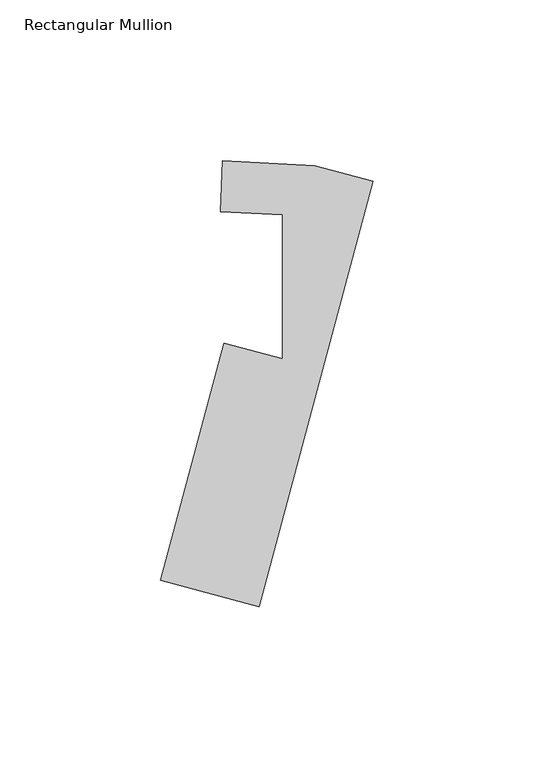
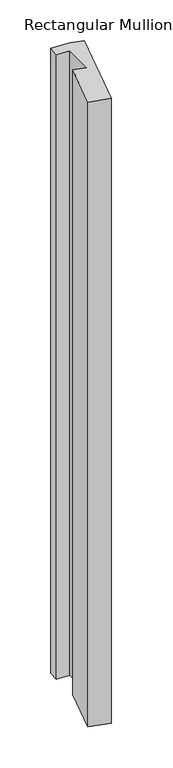
"""IFC4 building model written with IfcOpenShell, lengths in millimetres: member geometry, Rectangular Mullion."""

from ifc_helpers import new_model, si_unit, frame, origin, place, context, project, spatial, polyline, outline, extrude, source, transform, mapped, element, save


def rectangular_mullion_4adba14e(model_context):
    return source(origin(), model_context, "Body", "SweptSolid", [
        extrude(outline(polyline([(-62.0655935, -108.9554269), (-42.3173147, -35.253847), (-24.1741853, -40.1152838), (-24.1741853, 4.6675349), (-43.4500596, 5.6777407), (-42.7451691, 21.537585), (-14.1163917, 20.0372143), (4.0636846, 15.1658775), (-31.3964631, -117.1731956), (-62.0655935, -108.9554269)])), frame((0.0, 0.0, -1000.0), z_axis=(0.0, 0.0, 1.0), x_axis=(1.0, 0.0, 0.0)), (0.0, 0.0, 1.0), 1000.0),
    ])


if __name__ == "__main__":
    model = new_model("IFC4")
    model_context = context("Model", 3, world=origin())
    ifc_project = project(units=[si_unit("LENGTHUNIT", "METRE", prefix="MILLI")], contexts=[model_context])
    site = spatial("IfcSite", under=ifc_project)
    building = spatial("IfcBuilding", under=site)
    placement = place(None, origin())
    rectangular_mullion_shape = rectangular_mullion_4adba14e(model_context)
    element("IfcMember", 1, ObjectType="Rectangular Mullion", at=placement, inside=building, context=model_context, shape_type="MappedRepresentation", body=[
        mapped(rectangular_mullion_shape, transform((0.0, 0.0, 0.0), x_axis=(1.0, 0.0, 0.0), y_axis=(0.0, 1.0, 0.0), z_axis=(0.0, 0.0, 1.0))),
    ])
    save(model, "model.ifc")
